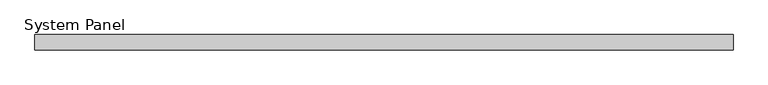
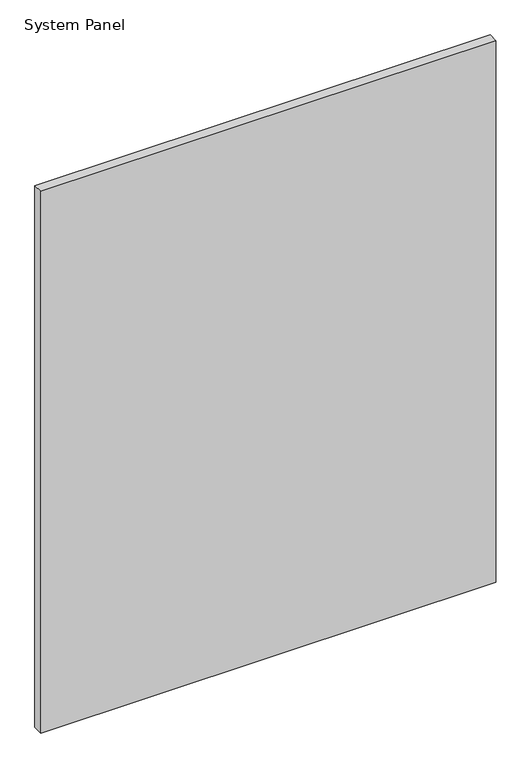
"""IFC4 building model written with IfcOpenShell, lengths in millimetres: plate geometry, System Panel."""

from ifc_helpers import new_model, si_unit, origin, origin_with_axes, place, context, project, spatial, polyline, outline, extrude, source, transform, mapped, element, save


def system_panel_5dab8c37(model_context):
    return source(origin(), model_context, "Body", "SweptSolid", [
        extrude(outline(polyline([(575.728023, 5.85), (-575.728023, 5.85), (-575.728023, 31.35), (575.728023, 31.35), (575.728023, 5.85)])), origin_with_axes(), (0.0, 0.0, 1.0), 1448.5753797),
    ])


if __name__ == "__main__":
    model = new_model("IFC4")
    model_context = context("Model", 3, world=origin())
    ifc_project = project(units=[si_unit("LENGTHUNIT", "METRE", prefix="MILLI")], contexts=[model_context])
    site = spatial("IfcSite", under=ifc_project)
    building = spatial("IfcBuilding", under=site)
    placement = place(None, origin())
    system_panel_shape = system_panel_5dab8c37(model_context)
    element("IfcPlate", 1, ObjectType="System Panel", at=placement, inside=building, context=model_context, shape_type="MappedRepresentation", body=[
        mapped(system_panel_shape, transform((0.0, 0.0, 0.0), x_axis=(1.0, 0.0, 0.0), y_axis=(0.0, 1.0, 0.0), z_axis=(0.0, 0.0, 1.0))),
    ])
    save(model, "model.ifc")
